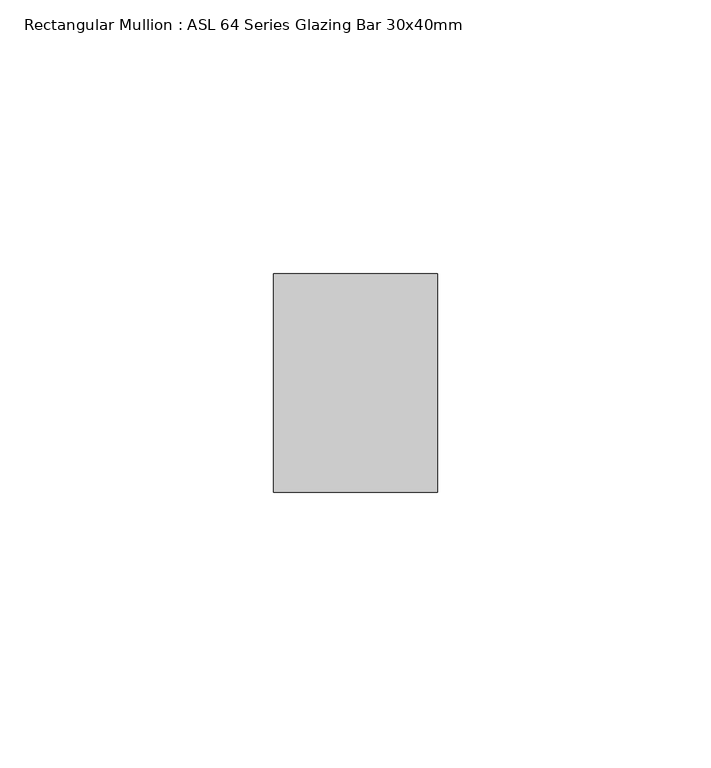
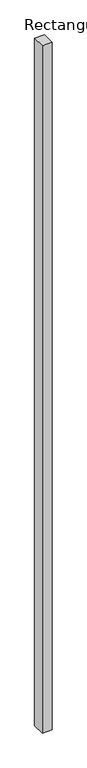
"""IFC4 building model written with IfcOpenShell, lengths in millimetres: member geometry, Rectangular Mullion : ASL 64 Series Glazing Bar 30x40mm."""

from ifc_helpers import new_model, si_unit, frame, origin, place, context, project, spatial, polyline, outline, extrude, source, transform, mapped, element, save


def rectangular_mullion_asl_64_series_glazing_bar_30x40mm_5baff133(model_context):
    return source(origin(), model_context, "Body", "SweptSolid", [
        extrude(outline(polyline([(0.0, 20.0), (0.0, -20.0), (-30.0, -20.0), (-30.0, 20.0), (0.0, 20.0)])), frame((0.0, 0.0, -2200.0), z_axis=(0.0, 0.0, 1.0), x_axis=(1.0, 0.0, 0.0)), (0.0, 0.0, 1.0), 2200.0),
    ])


if __name__ == "__main__":
    model = new_model("IFC4")
    model_context = context("Model", 3, world=origin())
    ifc_project = project(units=[si_unit("LENGTHUNIT", "METRE", prefix="MILLI")], contexts=[model_context])
    site = spatial("IfcSite", under=ifc_project)
    building = spatial("IfcBuilding", under=site)
    placement = place(None, origin())
    rectangular_mullion_asl_64_series_glazing_bar_30x40mm_shape = rectangular_mullion_asl_64_series_glazing_bar_30x40mm_5baff133(model_context)
    element("IfcMember", 1, ObjectType="Rectangular Mullion : ASL 64 Series Glazing Bar 30x40mm", at=placement, inside=building, context=model_context, shape_type="MappedRepresentation", body=[
        mapped(rectangular_mullion_asl_64_series_glazing_bar_30x40mm_shape, transform((0.0, 0.0, 0.0), x_axis=(1.0, 0.0, 0.0), y_axis=(0.0, 1.0, 0.0), z_axis=(0.0, 0.0, 1.0))),
    ])
    save(model, "model.ifc")
